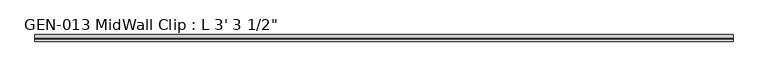
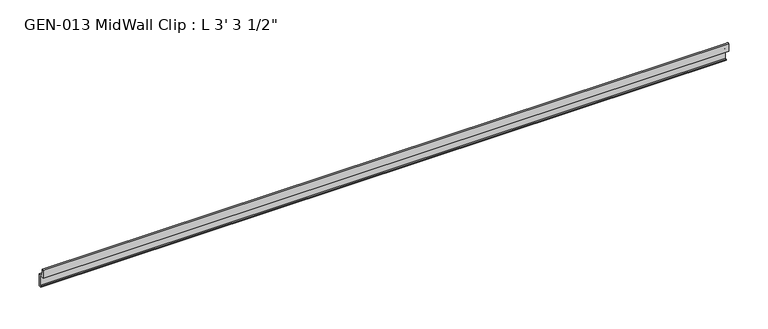
"""IFC4 building model written with IfcOpenShell, lengths in millimetres: proxy geometry."""

from ifc_helpers import new_model, si_unit, point, frame, frame_2d, origin, place, context, project, spatial, polyline, circle_curve, trimmed, segment, composite_curve, outline, extrude, source, transform, mapped, element, save


def proxy_c19a56de(model_context):
    return source(origin(), model_context, "Body", "SweptSolid", [
        extrude(outline(composite_curve([segment(trimmed(circle_curve(frame_2d((1.9177, 1.1238237)), 1.27), [point((3.1877, 1.1238237))], [point((1.9177, 2.3938237))], True, "CARTESIAN"), True, "CONTINUOUS"), segment(polyline([(1.9177, 2.3938237), (-4.7625, 2.3938237), (-4.7625, 14.4786268)]), True, "CONTINUOUS"), segment(trimmed(circle_curve(frame_2d((-3.5698235, 13.3878692)), 1.6162393), [point((-4.7625, 14.4786268))], [point((-2.4411308, 14.5447106))], False, "CARTESIAN"), True, "CONTINUOUS"), segment(polyline([(-2.4411308, 14.5447106), (-0.630157, 3.9686237), (4.7625, 3.9686237), (4.7625, -15.0559763), (1.6129, -15.0559763), (1.6129, -13.4811763), (3.1877, -13.4811763), (3.1877, 1.1238237)]), True, "CONTINUOUS")], self_intersect=False)), frame((0.0, 0.0, 0.0), z_axis=(1.0, 0.0, 0.0), x_axis=(0.0, 1.0, 0.0)), (0.0, 0.0, 1.0), 1003.3),
    ])


if __name__ == "__main__":
    model = new_model("IFC4")
    model_context = context("Model", 3, world=origin())
    ifc_project = project(units=[si_unit("LENGTHUNIT", "METRE", prefix="MILLI")], contexts=[model_context])
    site = spatial("IfcSite", under=ifc_project)
    building = spatial("IfcBuilding", under=site)
    placement = place(None, origin())
    proxy_shape = proxy_c19a56de(model_context)
    element("IfcBuildingElementProxy", 1, Name="GEN-013 MidWall Clip : L 3' 3 1/2\"", ObjectType="GEN-013 MidWall Clip : L 3' 3 1/2\"", at=placement, inside=building, context=model_context, shape_type="MappedRepresentation", body=[
        mapped(proxy_shape, transform((0.0, 0.0, 0.0), x_axis=(1.0, 0.0, 0.0), y_axis=(0.0, 1.0, 0.0), z_axis=(0.0, 0.0, 1.0))),
    ])
    save(model, "model.ifc")
